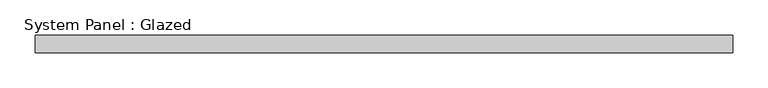
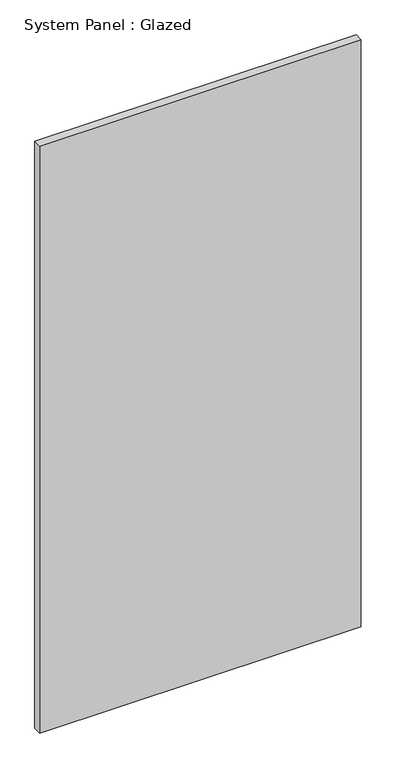
"""IFC4 building model written with IfcOpenShell, lengths in millimetres: plate geometry, System Panel : Glazed."""

from ifc_helpers import new_model, si_unit, origin, origin_with_axes, place, context, project, spatial, polyline, outline, extrude, source, transform, mapped, element, save


def system_panel_glazed_d5a80553(model_context):
    return source(origin(), model_context, "Body", "SweptSolid", [
        extrude(outline(polyline([(497.066319, 24.5), (-497.066319, 24.5), (-497.066319, 49.5), (497.066319, 49.5), (497.066319, 24.5)])), origin_with_axes(), (0.0, 0.0, 1.0), 1917.2408585),
    ])


if __name__ == "__main__":
    model = new_model("IFC4")
    model_context = context("Model", 3, world=origin())
    ifc_project = project(units=[si_unit("LENGTHUNIT", "METRE", prefix="MILLI")], contexts=[model_context])
    site = spatial("IfcSite", under=ifc_project)
    building = spatial("IfcBuilding", under=site)
    placement = place(None, origin())
    system_panel_glazed_shape = system_panel_glazed_d5a80553(model_context)
    element("IfcPlate", 1, ObjectType="System Panel : Glazed", at=placement, inside=building, context=model_context, shape_type="MappedRepresentation", body=[
        mapped(system_panel_glazed_shape, transform((0.0, 0.0, 0.0), x_axis=(1.0, 0.0, 0.0), y_axis=(0.0, 1.0, 0.0), z_axis=(0.0, 0.0, 1.0))),
    ])
    save(model, "model.ifc")
